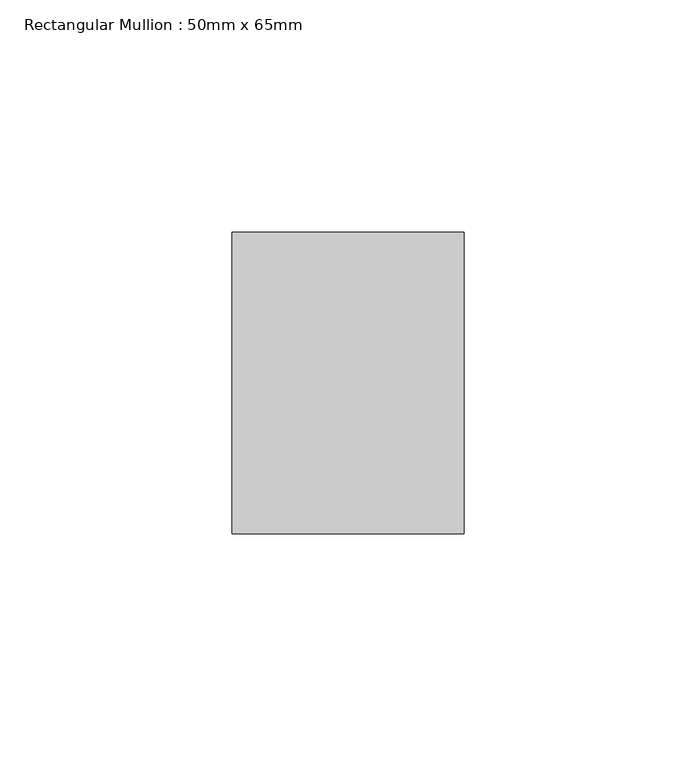
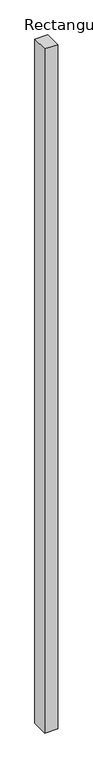
"""IFC4 building model written with IfcOpenShell, lengths in millimetres: member geometry, Rectangular Mullion : 50mm x 65mm."""

from ifc_helpers import new_model, si_unit, frame, origin, place, context, project, spatial, polyline, outline, extrude, source, transform, mapped, element, save


def rectangular_mullion_50mm_x_65mm_ad44ed9e(model_context):
    return source(origin(), model_context, "Body", "SweptSolid", [
        extrude(outline(polyline([(25.0, 32.5), (25.0, -32.5), (-25.0, -32.5), (-25.0, 32.5), (25.0, 32.5)])), frame((0.0, 0.0, -2773.8909498), z_axis=(0.0, 0.0, 1.0), x_axis=(1.0, 0.0, 0.0)), (0.0, 0.0, 1.0), 2773.8909498),
    ])


if __name__ == "__main__":
    model = new_model("IFC4")
    model_context = context("Model", 3, world=origin())
    ifc_project = project(units=[si_unit("LENGTHUNIT", "METRE", prefix="MILLI")], contexts=[model_context])
    site = spatial("IfcSite", under=ifc_project)
    building = spatial("IfcBuilding", under=site)
    placement = place(None, origin())
    rectangular_mullion_50mm_x_65mm_shape = rectangular_mullion_50mm_x_65mm_ad44ed9e(model_context)
    element("IfcMember", 1, ObjectType="Rectangular Mullion : 50mm x 65mm", at=placement, inside=building, context=model_context, shape_type="MappedRepresentation", body=[
        mapped(rectangular_mullion_50mm_x_65mm_shape, transform((0.0, 0.0, 0.0), x_axis=(1.0, 0.0, 0.0), y_axis=(0.0, 1.0, 0.0), z_axis=(0.0, 0.0, 1.0))),
    ])
    save(model, "model.ifc")
